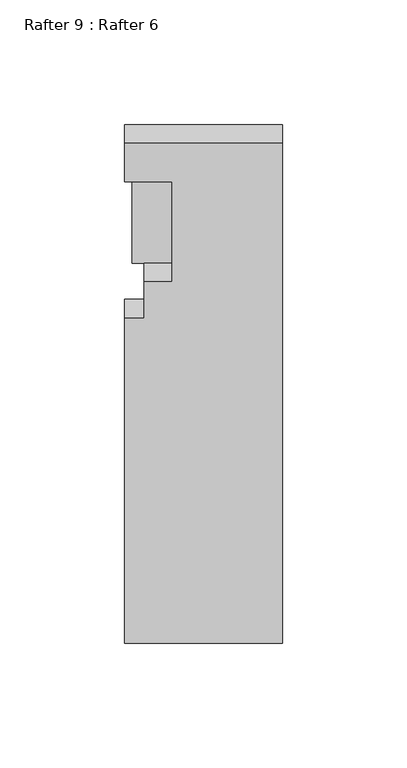
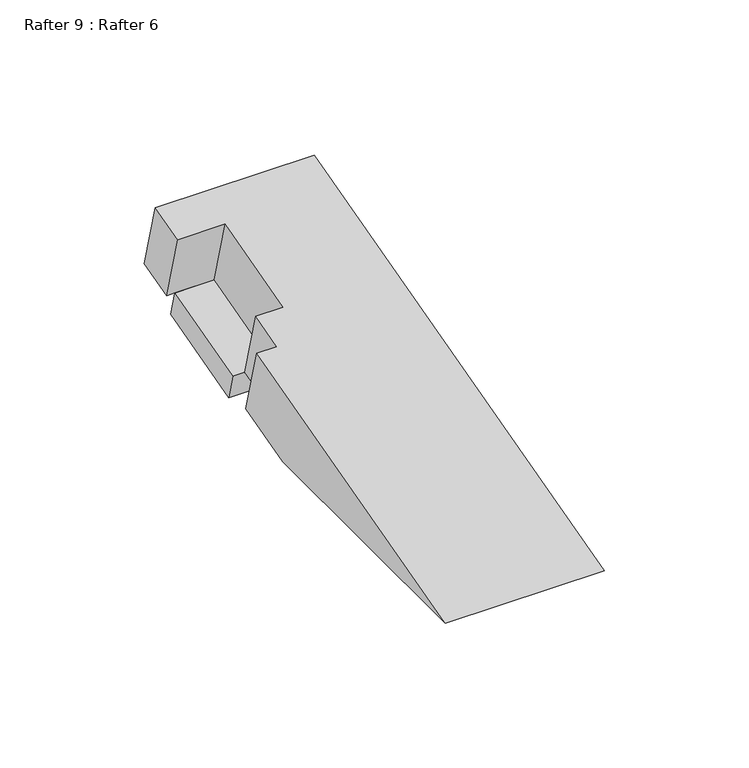
"""IFC4 building model written with IfcOpenShell, lengths in millimetres: proxy geometry, Rafter 9 : Rafter 6."""

from ifc_helpers import new_model, si_unit, origin, place, context, project, spatial, faceted_brep, source, transform, mapped, element, save


def rafter_9_rafter_6_caff85db(model_context):
    return source(origin(), model_context, "Body", "Brep", [
        faceted_brep([(-1209.2732944, 6020.3144061, 908.4190903), (-1201.3484944, 6020.3144061, 908.4190903), (-1201.3484944, 6034.8633741, 912.3174745), (-1190.2232944, 6034.8633741, 912.3174745), (-1145.7732944, 6034.7857724, 912.2966812), (-1145.7732944, 5994.920732, 901.6148758), (-1209.2732944, 5994.920732, 901.6148758), (-1209.2732944, 6075.0999803, 923.0988407), (-1209.2732944, 6090.4340528, 927.207593), (-1145.7732944, 6090.4340528, 927.207593), (-1145.7732944, 6074.9978447, 923.0714735), (-1190.2232944, 6074.9978447, 923.0714735), (-1206.0982944, 6075.0999803, 923.0988407), (-1145.7732944, 6082.8849351, 955.3812839), (-1209.2732944, 6082.8849351, 955.3812839), (-1209.2732944, 6067.5508626, 951.2725316), (-1190.2232944, 6067.5508626, 951.2725316), (-1190.2232944, 6027.3142564, 940.4911654), (-1201.3484944, 6027.3142564, 940.4911654), (-1201.3484944, 6012.7652884, 936.5927812), (-1209.2732944, 6012.7652884, 936.5927812), (-1209.2732944, 5882.1578646, 901.5966275), (-1145.7732944, 5882.1578646, 901.5966275), (-1145.7732944, 6037.6616515, 901.5706979), (-1145.7732944, 6077.871979, 912.3519974), (-1206.0982944, 6034.7857724, 912.2966812), (-1206.0982944, 6074.9978447, 923.0714735), (-1206.0982944, 6077.871979, 912.3519974), (-1206.0982944, 6037.6616515, 901.5706979), (-1201.3484944, 6034.7857724, 912.2966812)], [[[0, 1, 2, 3, 4, 5, 6]], [[7, 8, 9, 10, 11, 12]], [[13, 14, 15, 16, 17, 18, 19, 20, 21, 22]], [[9, 13, 22, 5, 4, 23, 24, 10]], [[20, 0, 6, 21]], [[1, 0, 20, 19]], [[2, 1, 19, 18]], [[3, 2, 18, 17]], [[17, 16, 11, 3]], [[16, 15, 7, 12, 11]], [[8, 7, 15, 14]], [[9, 8, 14, 13]], [[25, 26, 27, 28]], [[23, 4, 3, 29, 25, 28]], [[24, 23, 28, 27]], [[10, 24, 27, 26, 11]], [[26, 25, 29, 3, 11]], [[6, 5, 22, 21]]]),
    ])


if __name__ == "__main__":
    model = new_model("IFC4")
    model_context = context("Model", 3, world=origin())
    ifc_project = project(units=[si_unit("LENGTHUNIT", "METRE", prefix="MILLI")], contexts=[model_context])
    site = spatial("IfcSite", under=ifc_project)
    building = spatial("IfcBuilding", under=site)
    placement = place(None, origin())
    rafter_9_rafter_6_shape = rafter_9_rafter_6_caff85db(model_context)
    element("IfcBuildingElementProxy", 1, Name="Rafter 9 : Rafter 6", ObjectType="Rafter 9 : Rafter 6", at=placement, inside=building, context=model_context, shape_type="MappedRepresentation", body=[
        mapped(rafter_9_rafter_6_shape, transform((0.0, 0.0, 0.0), x_axis=(1.0, 0.0, 0.0), y_axis=(0.0, 1.0, 0.0), z_axis=(0.0, 0.0, 1.0))),
    ])
    save(model, "model.ifc")
